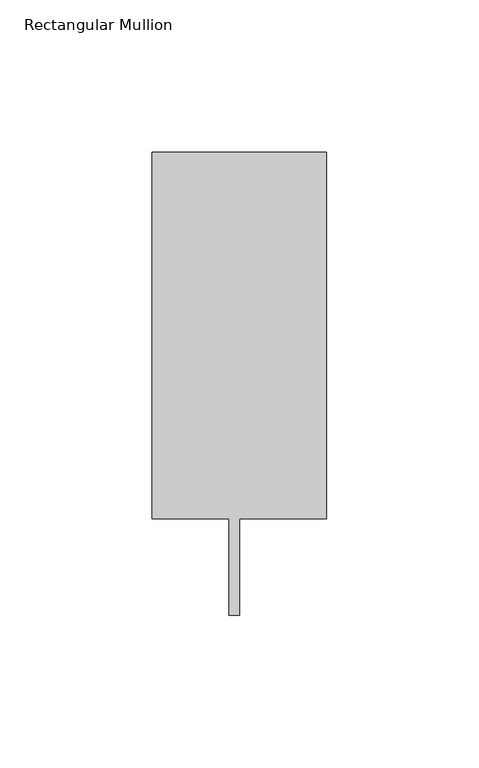
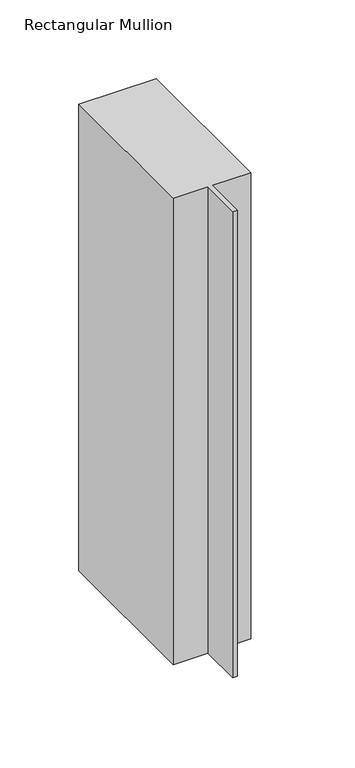
"""IFC4 building model written with IfcOpenShell, lengths in millimetres: member geometry, Rectangular Mullion."""

from ifc_helpers import new_model, si_unit, frame, origin, place, context, project, spatial, polyline, outline, extrude, source, transform, mapped, element, save


def rectangular_mullion_1ffb8456(model_context):
    return source(origin(), model_context, "Body", "SweptSolid", [
        extrude(outline(polyline([(-57.15, 151.892), (0.0, 151.892), (0.0, 31.75), (-28.575, 31.75), (-28.575, 0.0), (-31.877, 0.0), (-31.877, 31.75), (-57.15, 31.75), (-57.15, 151.892)])), frame((0.0, 0.0, -361.91825), z_axis=(0.0, 0.0, 1.0), x_axis=(1.0, 0.0, 0.0)), (0.0, 0.0, 1.0), 361.91825),
    ])


if __name__ == "__main__":
    model = new_model("IFC4")
    model_context = context("Model", 3, world=origin())
    ifc_project = project(units=[si_unit("LENGTHUNIT", "METRE", prefix="MILLI")], contexts=[model_context])
    site = spatial("IfcSite", under=ifc_project)
    building = spatial("IfcBuilding", under=site)
    placement = place(None, origin())
    rectangular_mullion_shape = rectangular_mullion_1ffb8456(model_context)
    element("IfcMember", 1, ObjectType="Rectangular Mullion", at=placement, inside=building, context=model_context, shape_type="MappedRepresentation", body=[
        mapped(rectangular_mullion_shape, transform((0.0, 0.0, 0.0), x_axis=(1.0, 0.0, 0.0), y_axis=(0.0, 1.0, 0.0), z_axis=(0.0, 0.0, 1.0))),
    ])
    save(model, "model.ifc")
